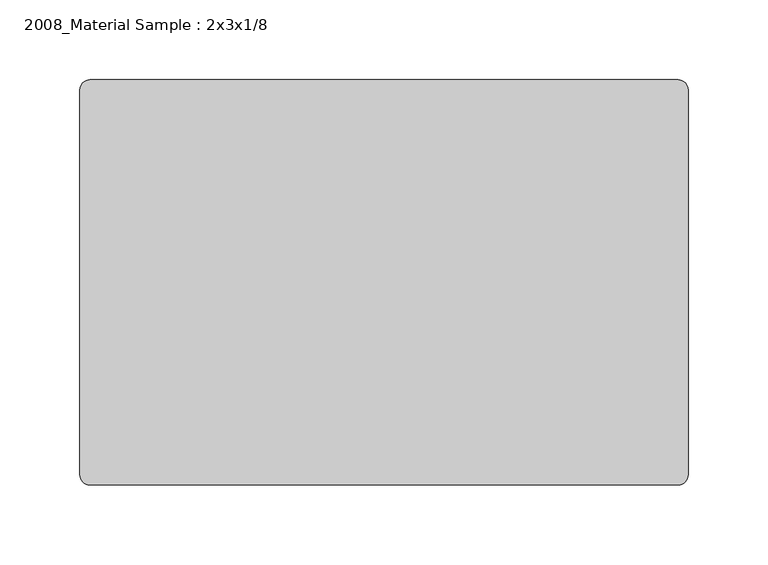
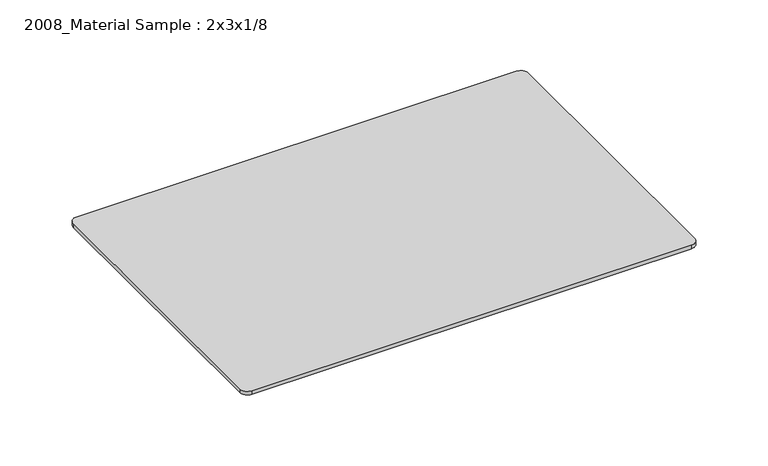
"""IFC4 building model written with IfcOpenShell, lengths in millimetres: furniture geometry, 2008_Material Sample : 2x3x1/8."""

from ifc_helpers import new_model, si_unit, point, frame, frame_2d, origin, place, context, project, spatial, polyline, circle_curve, trimmed, segment, composite_curve, outline, extrude, source, transform, mapped, element, save


def furniture_2008_material_sample_2x3x1_8_96bf408c(model_context):
    return source(origin(), model_context, "Body", "SweptSolid", [
        extrude(outline(composite_curve([segment(trimmed(circle_curve(frame_2d((21215.2392185, 10811.8982463)), 6.35), [point((21215.2392185, 10818.2482463))], [point((21221.5892185, 10811.8982463))], False, "CARTESIAN"), True, "CONTINUOUS"), segment(polyline([(21221.5892185, 10811.8982463), (21221.5892185, 10570.5982463)]), True, "CONTINUOUS"), segment(trimmed(circle_curve(frame_2d((21215.2392185, 10570.5982463)), 6.35), [point((21221.5892185, 10570.5982463))], [point((21215.2392185, 10564.2482463))], False, "CARTESIAN"), True, "CONTINUOUS"), segment(polyline([(21215.2392185, 10564.2482463), (20846.9392185, 10564.2482463)]), True, "CONTINUOUS"), segment(trimmed(circle_curve(frame_2d((20846.9392185, 10570.5982463)), 6.35), [point((20846.9392185, 10564.2482463))], [point((20840.5892185, 10570.5982463))], False, "CARTESIAN"), True, "CONTINUOUS"), segment(polyline([(20840.5892185, 10570.5982463), (20840.5892185, 10811.8982463)]), True, "CONTINUOUS"), segment(trimmed(circle_curve(frame_2d((20846.9392185, 10811.8982463)), 6.35), [point((20840.5892185, 10811.8982463))], [point((20846.9392185, 10818.2482463))], False, "CARTESIAN"), True, "CONTINUOUS"), segment(polyline([(20846.9392185, 10818.2482463), (21215.2392185, 10818.2482463)]), True, "CONTINUOUS")], self_intersect=False)), frame((0.0, 0.0, -3.175), z_axis=(0.0, 0.0, 1.0), x_axis=(1.0, 0.0, 0.0)), (0.0, 0.0, 1.0), 3.175),
    ])


if __name__ == "__main__":
    model = new_model("IFC4")
    model_context = context("Model", 3, world=origin())
    ifc_project = project(units=[si_unit("LENGTHUNIT", "METRE", prefix="MILLI")], contexts=[model_context])
    site = spatial("IfcSite", under=ifc_project)
    building = spatial("IfcBuilding", under=site)
    placement = place(None, origin())
    furniture_2008_material_sample_2x3x1_8_shape = furniture_2008_material_sample_2x3x1_8_96bf408c(model_context)
    element("IfcFurniture", 1, ObjectType="2008_Material Sample : 2x3x1/8", at=placement, inside=building, context=model_context, shape_type="MappedRepresentation", body=[
        mapped(furniture_2008_material_sample_2x3x1_8_shape, transform((0.0, 0.0, 0.0), x_axis=(1.0, 0.0, 0.0), y_axis=(0.0, 1.0, 0.0), z_axis=(0.0, 0.0, 1.0))),
    ])
    save(model, "model.ifc")
